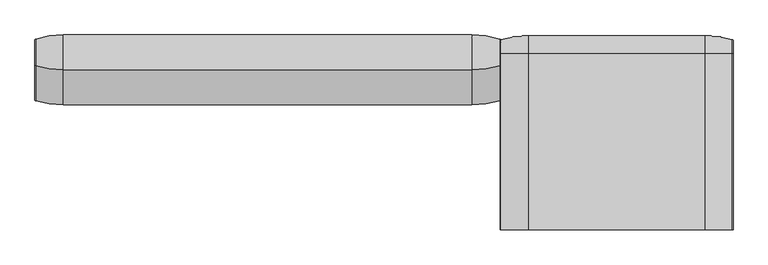
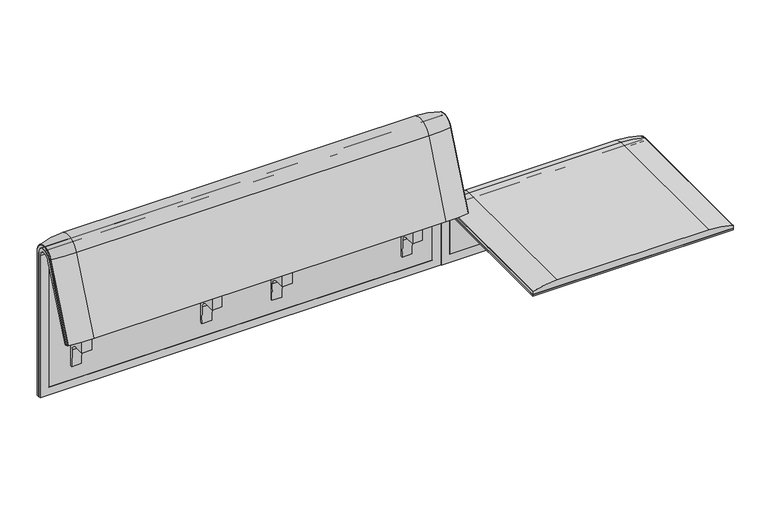
"""IFC4 building model written with IfcOpenShell, lengths in millimetres: furniture geometry."""

from ifc_helpers import new_model, si_unit, point, frame, frame_2d, origin, place, context, project, spatial, polyline, circle_curve, ellipse_curve, trimmed, segment, composite_curve, outline, extrude, source, transform, mapped, element, save
from ifc_brep_helpers import plane_surface, cylinder_surface, revolved_surface, advanced_brep


def furniture_4961bf5a(model_context):
    return source(origin(), model_context, "Body", "SolidModel", [
        extrude(outline(composite_curve([segment(trimmed(circle_curve(frame_2d((305.0000061, 379.9223263)), 30.0), [point((305.0000061, 349.9223263))], [point((335.0000061, 379.9223263))], True, "CARTESIAN"), True, "CONTINUOUS"), segment(polyline([(335.0000061, 379.9223263), (335.0000061, 515.0657595)]), True, "CONTINUOUS"), segment(trimmed(circle_curve(frame_2d((305.0000061, 515.0657595)), 30.0), [point((335.0000061, 515.0657595))], [point((316.7219399, 542.6809051))], True, "CARTESIAN"), True, "CONTINUOUS"), segment(polyline([(316.7219399, 542.6809051), (257.4911714, 567.8228747)]), True, "CONTINUOUS"), segment(trimmed(circle_curve(frame_2d((251.6302045, 554.0153019)), 15.0), [point((257.4911714, 567.8228747))], [point((238.0355877, 560.3545758))], True, "CARTESIAN"), True, "CONTINUOUS"), segment(polyline([(238.0355877, 560.3545758), (222.2725218, 526.5505721), (213.7507451, 529.5682915), (296.3054528, 724.0549949)]), True, "CONTINUOUS"), segment(trimmed(circle_curve(frame_2d((322.520748, 712.9272623)), 28.479258), [point((296.3054528, 724.0549949))], [point((351.0000061, 712.9272623))], False, "CARTESIAN"), True, "CONTINUOUS"), segment(polyline([(351.0000061, 712.9272623), (351.0000061, 197.0551771), (343.3075759, 197.0551771), (339.4064861, 271.492405)]), True, "CONTINUOUS"), segment(trimmed(circle_curve(frame_2d((309.4476, 269.9223263)), 30.0), [point((339.4064861, 271.492405))], [point((309.4476, 299.9223263))], True, "CARTESIAN"), True, "CONTINUOUS"), segment(polyline([(309.4476, 299.9223263), (270.0000061, 299.9223263), (270.0000061, 359.9223263), (275.0000061, 359.9223263)]), True, "CONTINUOUS"), segment(trimmed(circle_curve(frame_2d((285.0000061, 359.9223263)), 10.0), [point((275.0000061, 359.9223263))], [point((285.0000061, 349.9223263))], True, "CARTESIAN"), True, "CONTINUOUS"), segment(polyline([(285.0000061, 349.9223263), (305.0000061, 349.9223263)]), True, "CONTINUOUS")], self_intersect=False), holes=[composite_curve([segment(polyline([(337.5000061, 576.3274105), (337.5000061, 716.7072663)]), True, "CONTINUOUS"), segment(trimmed(circle_curve(frame_2d((322.5000061, 716.7072663)), 15.0), [point((337.5000061, 716.7072663))], [point((308.9053893, 723.0465402))], True, "CARTESIAN"), True, "CONTINUOUS"), segment(polyline([(308.9053893, 723.0465402), (253.6256191, 604.4986904)]), True, "CONTINUOUS"), segment(trimmed(circle_curve(frame_2d((271.7517748, 596.0463251)), 20.0), [point((253.6256191, 604.4986904))], [point((265.0756376, 577.1934953))], True, "CARTESIAN"), True, "CONTINUOUS"), segment(polyline([(265.0756376, 577.1934953), (314.1406626, 559.8186587)]), True, "CONTINUOUS"), segment(trimmed(circle_curve(frame_2d((319.9867182, 576.3274105)), 17.5132879), [point((314.1406626, 559.8186587))], [point((337.5000061, 576.3274105))], True, "CARTESIAN"), True, "CONTINUOUS")], self_intersect=False)]), frame((-284.9782527, 0.0, 0.0), z_axis=(1.0, 0.0, 0.0), x_axis=(0.0, 1.0, 0.0)), (0.0, 0.0, 1.0), 40.0),
        extrude(outline(composite_curve([segment(trimmed(circle_curve(frame_2d((305.0000061, 379.9223263)), 30.0), [point((305.0000061, 349.9223263))], [point((335.0000061, 379.9223263))], True, "CARTESIAN"), True, "CONTINUOUS"), segment(polyline([(335.0000061, 379.9223263), (335.0000061, 515.0657595)]), True, "CONTINUOUS"), segment(trimmed(circle_curve(frame_2d((305.0000061, 515.0657595)), 30.0), [point((335.0000061, 515.0657595))], [point((316.7219399, 542.6809051))], True, "CARTESIAN"), True, "CONTINUOUS"), segment(polyline([(316.7219399, 542.6809051), (257.4911714, 567.8228747)]), True, "CONTINUOUS"), segment(trimmed(circle_curve(frame_2d((251.6302045, 554.0153019)), 15.0), [point((257.4911714, 567.8228747))], [point((238.0355877, 560.3545758))], True, "CARTESIAN"), True, "CONTINUOUS"), segment(polyline([(238.0355877, 560.3545758), (222.2725218, 526.5505721), (213.7507451, 529.5682915), (296.3054528, 724.0549949)]), True, "CONTINUOUS"), segment(trimmed(circle_curve(frame_2d((322.520748, 712.9272623)), 28.479258), [point((296.3054528, 724.0549949))], [point((351.0000061, 712.9272623))], False, "CARTESIAN"), True, "CONTINUOUS"), segment(polyline([(351.0000061, 712.9272623), (351.0000061, 197.0551771), (343.3075759, 197.0551771), (339.4064861, 271.492405)]), True, "CONTINUOUS"), segment(trimmed(circle_curve(frame_2d((309.4476, 269.9223263)), 30.0), [point((339.4064861, 271.492405))], [point((309.4476, 299.9223263))], True, "CARTESIAN"), True, "CONTINUOUS"), segment(polyline([(309.4476, 299.9223263), (270.0000061, 299.9223263), (270.0000061, 359.9223263), (275.0000061, 359.9223263)]), True, "CONTINUOUS"), segment(trimmed(circle_curve(frame_2d((285.0000061, 359.9223263)), 10.0), [point((275.0000061, 359.9223263))], [point((285.0000061, 349.9223263))], True, "CARTESIAN"), True, "CONTINUOUS"), segment(polyline([(285.0000061, 349.9223263), (305.0000061, 349.9223263)]), True, "CONTINUOUS")], self_intersect=False), holes=[composite_curve([segment(polyline([(337.5000061, 576.3274105), (337.5000061, 716.7072663)]), True, "CONTINUOUS"), segment(trimmed(circle_curve(frame_2d((322.5000061, 716.7072663)), 15.0), [point((337.5000061, 716.7072663))], [point((308.9053893, 723.0465402))], True, "CARTESIAN"), True, "CONTINUOUS"), segment(polyline([(308.9053893, 723.0465402), (253.6256191, 604.4986904)]), True, "CONTINUOUS"), segment(trimmed(circle_curve(frame_2d((271.7517748, 596.0463251)), 20.0), [point((253.6256191, 604.4986904))], [point((265.0756376, 577.1934953))], True, "CARTESIAN"), True, "CONTINUOUS"), segment(polyline([(265.0756376, 577.1934953), (314.1406626, 559.8186587)]), True, "CONTINUOUS"), segment(trimmed(circle_curve(frame_2d((319.9867182, 576.3274105)), 17.5132879), [point((314.1406626, 559.8186587))], [point((337.5000061, 576.3274105))], True, "CARTESIAN"), True, "CONTINUOUS")], self_intersect=False)]), frame((245.0113409, 0.0, 0.0), z_axis=(1.0, 0.0, 0.0), x_axis=(0.0, 1.0, 0.0)), (0.0, 0.0, 1.0), 40.0),
        advanced_brep(
        [(408.0237127, 351.0000061, 101.8476716), (408.0237127, 359.7858817, 101.8476716), (408.0237127, 359.7858817, 720.3417731), (408.0237127, 292.4403877, 733.7122262), (408.0237127, 170.1966807, 437.98305), (408.0237127, 175.0204081, 435.9866665), (408.0237127, 296.2458652, 723.9869215), (408.0237127, 351.0000061, 712.9272623), (-1223.9718733, 351.0000061, 101.8476716), (-1223.9718733, 351.0000061, 712.9272623), (-1223.9718733, 296.2720241, 723.9759107), (-1223.9718733, 175.0204081, 435.9866665), (-1223.9718733, 170.1966807, 437.98305), (-1223.9718733, 292.4403877, 733.7122262), (-1223.9718733, 359.7858817, 720.3417731), (-1223.9718733, 359.7858817, 101.8476716), (373.1071685, 292.4403877, 733.7122262), (373.1071685, 176.0980387, 452.25948), (-1189.0884174, 176.0980387, 452.25948), (-1189.0884174, 292.4403877, 733.7122262), (-1189.0884174, 296.2458652, 723.9869215), (-1189.0884174, 181.0136548, 450.2250668), (373.1071685, 181.0136548, 450.2250668), (373.1071685, 296.2458652, 723.9869215), (373.1071685, 351.0000061, 712.9272623), (373.1071685, 351.0000061, 135.3766997), (-1189.0884174, 351.0000061, 135.3766997), (-1189.0884174, 351.0000061, 712.9272623), (-1189.0884174, 359.7858817, 720.3417731), (-1189.0884174, 359.7858817, 135.3766997), (373.1071685, 359.7858817, 135.3766997), (373.1071685, 359.7858817, 720.3417731)],
        [
            (0, 1),
            (1, 2),
            (2, 3, circle_curve(frame((408.0237127, 324.7858817, 720.3417731), z_axis=(1.0, 0.0, 0.0), x_axis=(0.0, -1.0, 0.0)), 35.0)),
            (3, 4),
            (4, 5),
            (5, 6),
            (6, 7, circle_curve(frame((408.0237127, 322.520748, 712.9272623), z_axis=(-1.0, 0.0, 0.0), x_axis=(0.0, -1.0, 0.0)), 28.479258)),
            (7, 0),
            (8, 9),
            (9, 10, circle_curve(frame((-1223.9718733, 322.520748, 712.9272623), z_axis=(1.0, 0.0, 0.0), x_axis=(0.0, -1.0, 0.0)), 28.479258)),
            (10, 11),
            (11, 12),
            (12, 13),
            (13, 14, circle_curve(frame((-1223.9718733, 324.7858817, 720.3417731), z_axis=(-1.0, 0.0, 0.0), x_axis=(0.0, -1.0, 0.0)), 35.0)),
            (14, 15),
            (15, 8),
            (3, 16),
            (16, 17),
            (17, 18),
            (18, 19),
            (19, 13),
            (12, 4),
            (11, 5),
            (10, 20),
            (20, 21),
            (21, 22),
            (22, 23),
            (23, 6),
            (7, 24),
            (24, 25),
            (25, 26),
            (26, 27),
            (27, 9),
            (8, 0),
            (15, 1),
            (14, 28),
            (28, 29),
            (29, 30),
            (30, 31),
            (31, 2),
            (31, 16, circle_curve(frame((373.1071685, 324.7858817, 720.3417731), z_axis=(1.0, 0.0, 0.0), x_axis=(0.0, -1.0, 0.0)), 35.0)),
            (19, 28, circle_curve(frame((-1189.0884174, 324.7858817, 720.3417731), z_axis=(-1.0, 0.0, 0.0), x_axis=(0.0, -1.0, 0.0)), 35.0)),
            (23, 24, circle_curve(frame((373.1071685, 322.520748, 712.9272623), z_axis=(-1.0, 0.0, 0.0), x_axis=(0.0, -1.0, 0.0)), 28.479258)),
            (27, 20, circle_curve(frame((-1189.0884174, 322.520748, 712.9272623), z_axis=(1.0, 0.0, 0.0), x_axis=(0.0, -1.0, 0.0)), 28.479258)),
            (22, 17),
            (30, 25),
            (26, 29),
            (18, 21),
        ],
        [
            plane_surface(frame((408.0237127, 359.7858817, 101.8476716), z_axis=(1.0, 0.0, 0.0), x_axis=(0.0, 1.0, 0.0))),
            plane_surface(frame((-1223.9718733, 359.7858817, 101.8476716), z_axis=(-1.0, 0.0, 0.0), x_axis=(0.0, -1.0, 0.0))),
            plane_surface(frame((408.0237127, 292.4403877, 733.7122262), z_axis=(0.0, -0.9241569717933176, 0.3820129467515535), x_axis=(-1.0, 0.0, 0.0))),
            plane_surface(frame((408.0237127, 170.1966807, 437.98305), z_axis=(0.0, -0.3824103944198279, -0.9239925812687414), x_axis=(-1.0, 0.0, 0.0))),
            plane_surface(frame((408.0237127, 175.0204081, 435.9866665), z_axis=(0.0, 0.921678643444566, -0.3879542218073993), x_axis=(-1.0, 0.0, 0.0))),
            plane_surface(frame((408.0237127, 351.0000061, 712.9272623), z_axis=(0.0, -1.0, 0.0), x_axis=(-1.0, 0.0, 0.0))),
            plane_surface(frame((408.0237127, 351.0000061, 101.8476716), z_axis=(0.0, 0.0, -1.0), x_axis=(-1.0, 0.0, 0.0))),
            plane_surface(frame((408.0237127, 359.7858817, 101.8476716), z_axis=(0.0, 1.0, 0.0), x_axis=(-1.0, 0.0, 0.0))),
            cylinder_surface(frame((-1223.9718733, 324.7858817, 720.3417731), z_axis=(1.0, 0.0, 0.0), x_axis=(0.0, -1.0, 0.0)), 35.0),
            revolved_surface(polyline([(373.10716849999994, 294.04149, 712.9272623), (408.02371270000003, 294.04149, 712.9272623)]), (-1223.9718733, 322.520748, 712.9272623), (-1.0, 0.0, 0.0)),
            revolved_surface(polyline([(-1223.9718733, 294.04149, 712.9272623), (-1189.0884174, 294.04149, 712.9272623)]), (-1223.9718733, 322.520748, 712.9272623), (-1.0, 0.0, 0.0)),
            plane_surface(frame((373.1071685, 359.7858817, 135.3766997), z_axis=(-1.0, 0.0, 0.0), x_axis=(0.0, 1.0, 0.0))),
            plane_surface(frame((-1189.0884174, 359.7858817, 135.3766997), z_axis=(1.0, 0.0, 0.0), x_axis=(0.0, -1.0, 0.0))),
            plane_surface(frame((373.1071685, 166.9120641, 456.0612553), z_axis=(0.0, 0.38241039441982605, 0.9239925812687422), x_axis=(-1.0, 0.0, 0.0))),
            plane_surface(frame((373.1071685, 344.7858817, 135.3766997), z_axis=(0.0, 0.0, 1.0), x_axis=(-1.0, 0.0, 0.0))),
        ],
        [
            (0, [[1, 2, 3, 4, 5, 6, 7, 8]]),
            (1, [[9, 10, 11, 12, 13, 14, 15, 16]]),
            (2, [[-4, 17, 18, 19, 20, 21, -13, 22]]),
            (3, [[-5, -22, -12, 23]]),
            (4, [[-6, -23, -11, 24, 25, 26, 27, 28]]),
            (5, [[-8, 29, 30, 31, 32, 33, -9, 34]]),
            (6, [[-1, -34, -16, 35]]),
            (7, [[-2, -35, -15, 36, 37, 38, 39, 40]]),
            (8, [[-3, -40, 41, -17]]),
            (8, [[-14, -21, 42, -36]]),
            (9, [[-7, -28, 43, -29]]),
            (10, [[-10, -33, 44, -24]]),
            (11, [[45, -18, -41, -39, 46, -30, -43, -27]]),
            (12, [[47, -37, -42, -20, 48, -25, -44, -32]]),
            (13, [[-45, -26, -48, -19]]),
            (14, [[-46, -38, -47, -31]]),
        ],
    ),
        advanced_brep(
        [(373.1071685, 351.0000061, 135.3766997), (373.1071685, 359.7858817, 135.3766997), (373.1071685, 359.7858817, 720.3417731), (373.1071685, 292.4403877, 733.7122262), (373.1071685, 176.0980387, 452.25948), (373.1071685, 181.0136548, 450.2250668), (373.1071685, 296.2458652, 723.9869215), (373.1071685, 351.0000061, 712.9272623), (-1189.0884174, 351.0000061, 135.3766997), (-1189.0884174, 351.0000061, 712.9272623), (-1189.0884174, 296.2720241, 723.9759107), (-1189.0884174, 181.0136548, 450.2250668), (-1189.0884174, 176.0980387, 452.25948), (-1189.0884174, 292.4403877, 733.7122262), (-1189.0884174, 359.7858817, 720.3417731), (-1189.0884174, 359.7858817, 135.3766997)],
        [
            (0, 1),
            (1, 2),
            (2, 3, circle_curve(frame((373.1071685, 324.7858817, 720.3417731), z_axis=(1.0, 0.0, 0.0), x_axis=(0.0, -1.0, 0.0)), 35.0)),
            (3, 4),
            (4, 5),
            (5, 6),
            (6, 7, circle_curve(frame((373.1071685, 322.520748, 712.9272623), z_axis=(-1.0, 0.0, 0.0), x_axis=(0.0, -1.0, 0.0)), 28.479258)),
            (7, 0),
            (8, 9),
            (9, 10, circle_curve(frame((-1189.0884174, 322.520748, 712.9272623), z_axis=(1.0, 0.0, 0.0), x_axis=(0.0, -1.0, 0.0)), 28.479258)),
            (10, 11),
            (11, 12),
            (12, 13),
            (13, 14, circle_curve(frame((-1189.0884174, 324.7858817, 720.3417731), z_axis=(-1.0, 0.0, 0.0), x_axis=(0.0, -1.0, 0.0)), 35.0)),
            (14, 15),
            (15, 8),
            (3, 13),
            (12, 4),
            (11, 5),
            (10, 6),
            (7, 9),
            (8, 0),
            (15, 1),
            (14, 2),
        ],
        [
            plane_surface(frame((373.1071685, 359.7858817, 135.3766997), z_axis=(1.0, 0.0, 0.0), x_axis=(0.0, 1.0, 0.0))),
            plane_surface(frame((-1189.0884174, 359.7858817, 135.3766997), z_axis=(-1.0, 0.0, 0.0), x_axis=(0.0, -1.0, 0.0))),
            plane_surface(frame((373.1071685, 292.4403877, 733.7122262), z_axis=(0.0, -0.9241569717933176, 0.3820129467515535), x_axis=(-1.0, 0.0, 0.0))),
            plane_surface(frame((373.1071685, 176.0980387, 452.25948), z_axis=(0.0, -0.38241039441982716, -0.9239925812687417), x_axis=(-1.0, 0.0, 0.0))),
            plane_surface(frame((373.1071685, 181.0136548, 450.2250668), z_axis=(0.0, 0.921678643444566, -0.3879542218073993), x_axis=(-1.0, 0.0, 0.0))),
            plane_surface(frame((373.1071685, 351.0000061, 712.9272623), z_axis=(0.0, -1.0, 0.0), x_axis=(-1.0, 0.0, 0.0))),
            plane_surface(frame((373.1071685, 351.0000061, 135.3766997), z_axis=(0.0, 0.0, -1.0), x_axis=(-1.0, 0.0, 0.0))),
            plane_surface(frame((373.1071685, 359.7858817, 135.3766997), z_axis=(0.0, 1.0, 0.0), x_axis=(-1.0, 0.0, 0.0))),
            cylinder_surface(frame((-1189.0884174, 324.7858817, 720.3417731), z_axis=(1.0, 0.0, 0.0), x_axis=(0.0, -1.0, 0.0)), 35.0),
            revolved_surface(polyline([(-1189.0884174, 294.04149, 712.9272623), (373.10716849999994, 294.04149, 712.9272623)]), (-1189.0884174, 322.520748, 712.9272623), (-1.0, 0.0, 0.0)),
        ],
        [
            (0, [[1, 2, 3, 4, 5, 6, 7, 8]]),
            (1, [[9, 10, 11, 12, 13, 14, 15, 16]]),
            (2, [[-4, 17, -13, 18]]),
            (3, [[-5, -18, -12, 19]]),
            (4, [[-6, -19, -11, 20]]),
            (5, [[-8, 21, -9, 22]]),
            (6, [[-1, -22, -16, 23]]),
            (7, [[-2, -23, -15, 24]]),
            (8, [[-3, -24, -14, -17]]),
            (9, [[-7, -20, -10, -21]]),
        ],
    ),
        extrude(outline(composite_curve([segment(trimmed(circle_curve(frame_2d((305.0000061, 379.9223263)), 30.0), [point((305.0000061, 349.9223263))], [point((335.0000061, 379.9223263))], True, "CARTESIAN"), True, "CONTINUOUS"), segment(polyline([(335.0000061, 379.9223263), (335.0000061, 515.0657595)]), True, "CONTINUOUS"), segment(trimmed(circle_curve(frame_2d((305.0000061, 515.0657595)), 30.0), [point((335.0000061, 515.0657595))], [point((316.7219399, 542.6809051))], True, "CARTESIAN"), True, "CONTINUOUS"), segment(polyline([(316.7219399, 542.6809051), (257.4911714, 567.8228747)]), True, "CONTINUOUS"), segment(trimmed(circle_curve(frame_2d((251.6302045, 554.0153019)), 15.0), [point((257.4911714, 567.8228747))], [point((238.0355877, 560.3545758))], True, "CARTESIAN"), True, "CONTINUOUS"), segment(polyline([(238.0355877, 560.3545758), (222.2725218, 526.5505721), (213.7507451, 529.5682915), (296.3054528, 724.0549949)]), True, "CONTINUOUS"), segment(trimmed(circle_curve(frame_2d((322.520748, 712.9272623)), 28.479258), [point((296.3054528, 724.0549949))], [point((351.0000061, 712.9272623))], False, "CARTESIAN"), True, "CONTINUOUS"), segment(polyline([(351.0000061, 712.9272623), (351.0000061, 197.0551771), (343.3075759, 197.0551771), (339.4064861, 271.492405)]), True, "CONTINUOUS"), segment(trimmed(circle_curve(frame_2d((309.4476, 269.9223263)), 30.0), [point((339.4064861, 271.492405))], [point((309.4476, 299.9223263))], True, "CARTESIAN"), True, "CONTINUOUS"), segment(polyline([(309.4476, 299.9223263), (270.0000061, 299.9223263), (270.0000061, 359.9223263), (275.0000061, 359.9223263)]), True, "CONTINUOUS"), segment(trimmed(circle_curve(frame_2d((285.0000061, 359.9223263)), 10.0), [point((275.0000061, 359.9223263))], [point((285.0000061, 349.9223263))], True, "CARTESIAN"), True, "CONTINUOUS"), segment(polyline([(285.0000061, 349.9223263), (305.0000061, 349.9223263)]), True, "CONTINUOUS")], self_intersect=False), holes=[composite_curve([segment(polyline([(337.5000061, 576.3274105), (337.5000061, 716.7072663)]), True, "CONTINUOUS"), segment(trimmed(circle_curve(frame_2d((322.5000061, 716.7072663)), 15.0), [point((337.5000061, 716.7072663))], [point((308.9053893, 723.0465402))], True, "CARTESIAN"), True, "CONTINUOUS"), segment(polyline([(308.9053893, 723.0465402), (253.6256191, 604.4986904)]), True, "CONTINUOUS"), segment(trimmed(circle_curve(frame_2d((271.7517748, 596.0463251)), 20.0), [point((253.6256191, 604.4986904))], [point((265.0756376, 577.1934953))], True, "CARTESIAN"), True, "CONTINUOUS"), segment(polyline([(265.0756376, 577.1934953), (314.1406626, 559.8186587)]), True, "CONTINUOUS"), segment(trimmed(circle_curve(frame_2d((319.9867182, 576.3274105)), 17.5132879), [point((314.1406626, 559.8186587))], [point((337.5000061, 576.3274105))], True, "CARTESIAN"), True, "CONTINUOUS")], self_intersect=False)]), frame((-571.0029962, 0.0, 0.0), z_axis=(1.0, 0.0, 0.0), x_axis=(0.0, 1.0, 0.0)), (0.0, 0.0, 1.0), 40.0),
        advanced_brep(
        [(308.0237127, 388.2902376, 100.5089435), (405.8850842, 373.93893, 100.5089435), (408.0237127, 371.0652495, 100.5089435), (408.0237127, 359.7858817, 100.5089435), (-1224.0049615, 359.7858817, 100.5089435), (-1224.0049615, 371.0652495, 100.5089435), (-1221.866333, 373.93893, 100.5089435), (-1124.0049615, 388.2902376, 100.5089435), (-1124.0049615, 388.2902376, 720.3417731), (308.0237127, 388.2902376, 720.3417731), (405.8850842, 373.93893, 720.3417731), (408.0237127, 371.0652495, 720.3417731), (408.0237127, 282.0164812, 738.0210907), (408.0237127, 159.7723383, 442.2908598), (408.0237127, 170.1962447, 437.9819952), (408.0237127, 292.4403877, 733.7122262), (408.0237127, 359.7858817, 720.3417731), (-1224.0049615, 359.7858817, 720.3417731), (308.0237127, 143.8537454, 448.8710282), (-1124.0049615, 143.8537454, 448.8710282), (-1221.866333, 157.1166065, 443.3886429), (-1224.0049615, 159.7723383, 442.2908598), (-1224.0049615, 170.1962447, 437.9819952), (405.8850842, 157.1166065, 443.3886429), (308.0237127, 266.0978884, 744.6012592), (-1124.0049615, 266.0978884, 744.6012592), (405.8850842, 279.3607494, 739.1188739), (-1224.0049615, 292.4403877, 733.7122262), (-1224.0049615, 282.0164812, 738.0210907), (-1224.0049615, 371.0652495, 720.3417731), (-1221.866333, 373.93893, 720.3417731), (-1221.866333, 279.3607494, 739.1188739)],
        [
            (0, 1, circle_curve(frame((308.0237127, 47.4569043, 100.5089435), z_axis=(0.0, 0.0, -1.0), x_axis=(0.0, -1.0, 0.0)), 340.8333333)),
            (1, 2, circle_curve(frame((405.0237127, 371.0652495, 100.5089435), z_axis=(0.0, 0.0, -1.0), x_axis=(1.0, 0.0, 0.0)), 3.0)),
            (2, 3),
            (3, 4),
            (4, 5),
            (5, 6, circle_curve(frame((-1221.0049615, 371.0652495, 100.5089435), z_axis=(0.0, 0.0, -1.0), x_axis=(-1.0, 0.0, 0.0)), 3.0)),
            (6, 7, circle_curve(frame((-1124.0049615, 47.4569043, 100.5089435), z_axis=(0.0, 0.0, -1.0), x_axis=(0.0, -1.0, 0.0)), 340.8333333)),
            (7, 0),
            (7, 8),
            (8, 9),
            (9, 0),
            (9, 10, circle_curve(frame((308.0237127, 47.4569043, 720.3417731), z_axis=(0.0, 0.0, -1.0), x_axis=(0.0, -1.0, 0.0)), 340.8333333)),
            (10, 1),
            (10, 11, circle_curve(frame((405.0237127, 371.0652495, 720.3417731), z_axis=(0.0, 0.0, -1.0), x_axis=(1.0, 0.0, 0.0)), 3.0)),
            (11, 2),
            (11, 12, circle_curve(frame((408.0237127, 324.7858817, 720.3417731), z_axis=(1.0, 0.0, 0.0), x_axis=(0.0, 1.0, 0.0)), 46.2793679)),
            (12, 13),
            (13, 14),
            (14, 15),
            (15, 16, circle_curve(frame((408.0237127, 324.7858817, 720.3417731), z_axis=(-1.0, 0.0, 0.0), x_axis=(0.0, 1.0, 0.0)), 35.0)),
            (16, 3),
            (16, 17),
            (17, 4),
            (18, 19),
            (19, 20, circle_curve(frame((-1124.0049615, 458.8372467, 318.6682822), z_axis=(0.0, -0.38201294675155345, -0.9241569717933176), x_axis=(0.0, 0.9241569717933176, -0.38201294675155345)), 340.8333333)),
            (20, 21, circle_curve(frame((-1221.0049615, 159.7723383, 442.2908598), z_axis=(0.0, -0.38201294675155345, -0.9241569717933176), x_axis=(-1.0, 0.0, 0.0)), 3.0)),
            (21, 22),
            (22, 14),
            (13, 23, circle_curve(frame((405.0237127, 159.7723383, 442.2908598), z_axis=(0.0, -0.38201294675155345, -0.9241569717933176), x_axis=(1.0, 0.0, 0.0)), 3.0)),
            (23, 18, circle_curve(frame((308.0237127, 458.8372467, 318.6682822), z_axis=(0.0, -0.38201294675155345, -0.9241569717933176), x_axis=(0.0, 0.9241569717933176, -0.38201294675155345)), 340.8333333)),
            (24, 9, circle_curve(frame((308.0237127, 324.7858817, 720.3417731), z_axis=(-1.0, 0.0, 0.0), x_axis=(0.0, 1.0, 0.0)), 63.5043559)),
            (8, 25, circle_curve(frame((-1124.0049615, 324.7858817, 720.3417731), z_axis=(1.0, 0.0, 0.0), x_axis=(0.0, 1.0, 0.0)), 63.5043559)),
            (25, 24),
            (26, 10, circle_curve(frame((405.8850842, 324.7858817, 720.3417731), z_axis=(-1.0, 0.0, 0.0), x_axis=(0.0, 1.0, 0.0)), 49.1530483)),
            (24, 26, circle_curve(frame((308.0237127, 581.0813896, 614.3985132), z_axis=(0.0, 0.3820129467515556, 0.9241569717933167), x_axis=(0.0, 0.9241569717933167, -0.3820129467515556)), 340.8333333)),
            (26, 12, circle_curve(frame((405.0237127, 282.0164812, 738.0210907), z_axis=(0.0, 0.3820129467515548, 0.924156971793317), x_axis=(1.0, 0.0, 0.0)), 3.0)),
            (27, 17, circle_curve(frame((-1224.0049615, 324.7858817, 720.3417731), z_axis=(-1.0, 0.0, 0.0), x_axis=(0.0, 1.0, 0.0)), 35.0)),
            (15, 27),
            (25, 19),
            (18, 24),
            (23, 26),
            (22, 27),
            (21, 28),
            (28, 29, circle_curve(frame((-1224.0049615, 324.7858817, 720.3417731), z_axis=(-1.0, 0.0, 0.0), x_axis=(0.0, 1.0, 0.0)), 46.2793679)),
            (29, 5),
            (29, 30, circle_curve(frame((-1221.0049615, 371.0652495, 720.3417731), z_axis=(0.0, 0.0, -1.0), x_axis=(-1.0, 0.0, 0.0)), 3.0)),
            (30, 6),
            (30, 8, circle_curve(frame((-1124.0049615, 47.4569043, 720.3417731), z_axis=(0.0, 0.0, -1.0), x_axis=(0.0, -1.0, 0.0)), 340.8333333)),
            (31, 30, circle_curve(frame((-1221.866333, 324.7858817, 720.3417731), z_axis=(-1.0, 0.0, 0.0), x_axis=(0.0, 1.0, 0.0)), 49.1530483)),
            (28, 31, circle_curve(frame((-1221.0049615, 282.0164812, 738.0210907), z_axis=(0.0, 0.382012946751554, 0.9241569717933174), x_axis=(-1.0, 0.0, 0.0)), 3.0)),
            (31, 25, circle_curve(frame((-1124.0049615, 581.0813896, 614.3985132), z_axis=(0.0, 0.382012946751554, 0.9241569717933174), x_axis=(0.0, 0.9241569717933174, -0.382012946751554)), 340.8333333)),
            (20, 31),
        ],
        [
            plane_surface(frame((-811.2327697, 359.7858817, 100.5089435), z_axis=(0.0, 0.0, -1.0), x_axis=(1.0, 0.0, 0.0))),
            plane_surface(frame((-1124.0049615, 388.2902376, 100.5089435), z_axis=(0.0, 1.0, 0.0), x_axis=(0.0, 0.0, 1.0))),
            cylinder_surface(frame((308.0237127, 47.4569043, 100.5089435), z_axis=(0.0, 0.0, -1.0), x_axis=(0.0, -1.0, 0.0)), 340.8333333),
            cylinder_surface(frame((405.0237127, 371.0652495, 100.5089435), z_axis=(0.0, 0.0, -1.0), x_axis=(1.0, 0.0, 0.0)), 3.0),
            plane_surface(frame((408.0237127, 371.0652495, 100.5089435), z_axis=(1.0, 0.0, 0.0), x_axis=(0.0, 0.0, 1.0))),
            plane_surface(frame((408.0237127, 359.7858817, 100.5089435), z_axis=(0.0, -1.0, 0.0), x_axis=(0.0, 0.0, 1.0))),
            plane_surface(frame((-811.2327697, 170.1962447, 437.9819952), z_axis=(0.0, -0.38201294675155345, -0.9241569717933176), x_axis=(1.0, 0.0, 0.0))),
            cylinder_surface(frame((-811.2327697, 324.7858817, 720.3417731), z_axis=(1.0, 0.0, 0.0), x_axis=(0.0, 1.0, 0.0)), 63.5043559),
            revolved_surface(trimmed(ellipse_curve(frame((308.0237127, 47.4569043, 720.3417731), z_axis=(0.0, 0.0, -1.0), x_axis=(0.0, -1.0, 0.0)), 340.8333333, 340.8333333), [point((308.0237127, 388.2902376, 720.3417731))], [point((405.8850842, 373.93893, 720.3417731))], True, "CARTESIAN"), (-811.2327697, 324.7858817, 720.3417731), (1.0, 0.0, 0.0)),
            revolved_surface(trimmed(ellipse_curve(frame((405.0237127, 371.0652495, 720.3417731), z_axis=(0.0, 0.0, -1.0), x_axis=(1.0, 0.0, 0.0)), 3.0, 3.0), [point((405.8850842, 373.93893, 720.3417731))], [point((408.0237127, 371.0652495, 720.3417731))], True, "CARTESIAN"), (-811.2327697, 324.7858817, 720.3417731), (1.0, 0.0, 0.0)),
            revolved_surface(polyline([(408.0237126999999, 359.7858817, 720.3417731), (-1224.0049615, 359.7858817, 720.3417731)]), (-811.2327697, 324.7858817, 720.3417731), (1.0, 0.0, 0.0)),
            plane_surface(frame((-1124.0049615, 266.0978884, 744.6012592), z_axis=(0.0, -0.9241569717933174, 0.38201294675155406), x_axis=(0.0, -0.38201294675155406, -0.9241569717933174))),
            cylinder_surface(frame((308.0237127, 581.0813896, 614.3985132), z_axis=(0.0, 0.38201294675155345, 0.9241569717933176), x_axis=(0.0, 0.9241569717933176, -0.38201294675155345)), 340.8333333),
            cylinder_surface(frame((405.0237127, 282.0164812, 738.0210907), z_axis=(0.0, 0.38201294675155345, 0.9241569717933176), x_axis=(1.0, 0.0, 0.0)), 3.0),
            plane_surface(frame((408.0237127, 292.4403877, 733.7122262), z_axis=(0.0, 0.9241569717933175, -0.3820129467515539), x_axis=(0.0, -0.3820129467515539, -0.9241569717933175))),
            plane_surface(frame((-1224.0049615, 359.7858817, 100.5089435), z_axis=(-1.0, 0.0, 0.0), x_axis=(0.0, 0.0, 1.0))),
            cylinder_surface(frame((-1221.0049615, 371.0652495, 100.5089435), z_axis=(0.0, 0.0, -1.0), x_axis=(-1.0, 0.0, 0.0)), 3.0),
            cylinder_surface(frame((-1124.0049615, 47.4569043, 100.5089435), z_axis=(0.0, 0.0, -1.0), x_axis=(0.0, -1.0, 0.0)), 340.8333333),
            revolved_surface(trimmed(ellipse_curve(frame((-1221.0049615, 371.0652495, 720.3417731), z_axis=(0.0, 0.0, -1.0), x_axis=(-1.0, 0.0, 0.0)), 3.0, 3.0), [point((-1224.0049615, 371.0652495, 720.3417731))], [point((-1221.866333, 373.93893, 720.3417731))], True, "CARTESIAN"), (-811.2327697, 324.7858817, 720.3417731), (1.0, 0.0, 0.0)),
            revolved_surface(trimmed(ellipse_curve(frame((-1124.0049615, 47.4569043, 720.3417731), z_axis=(0.0, 0.0, -1.0), x_axis=(0.0, -1.0, 0.0)), 340.8333333, 340.8333333), [point((-1221.866333, 373.93893, 720.3417731))], [point((-1124.0049615, 388.2902376, 720.3417731))], True, "CARTESIAN"), (-811.2327697, 324.7858817, 720.3417731), (1.0, 0.0, 0.0)),
            cylinder_surface(frame((-1221.0049615, 282.0164812, 738.0210907), z_axis=(0.0, 0.38201294675155345, 0.9241569717933176), x_axis=(-1.0, 0.0, 0.0)), 3.0),
            cylinder_surface(frame((-1124.0049615, 581.0813896, 614.3985132), z_axis=(0.0, 0.38201294675155345, 0.9241569717933176), x_axis=(0.0, 0.9241569717933176, -0.38201294675155345)), 340.8333333),
        ],
        [
            (0, [[1, 2, 3, 4, 5, 6, 7, 8]]),
            (1, [[-8, 9, 10, 11]]),
            (2, [[-1, -11, 12, 13]]),
            (3, [[-2, -13, 14, 15]]),
            (4, [[-3, -15, 16, 17, 18, 19, 20, 21]]),
            (5, [[-4, -21, 22, 23]]),
            (6, [[24, 25, 26, 27, 28, -18, 29, 30]]),
            (7, [[31, -10, 32, 33]]),
            (8, [[34, -12, -31, 35]]),
            (9, [[-16, -14, -34, 36]]),
            (10, [[37, -22, -20, 38]]),
            (11, [[-33, 39, -24, 40]]),
            (12, [[-35, -40, -30, 41]]),
            (13, [[-36, -41, -29, -17]]),
            (14, [[-38, -19, -28, 42]]),
            (15, [[-5, -23, -37, -42, -27, 43, 44, 45]]),
            (16, [[-6, -45, 46, 47]]),
            (17, [[-7, -47, 48, -9]]),
            (18, [[49, -46, -44, 50]]),
            (19, [[-32, -48, -49, 51]]),
            (20, [[-50, -43, -26, 52]]),
            (21, [[-51, -52, -25, -39]]),
        ],
    ),
        extrude(outline(composite_curve([segment(trimmed(circle_curve(frame_2d((305.0000061, 379.9223263)), 30.0), [point((305.0000061, 349.9223263))], [point((335.0000061, 379.9223263))], True, "CARTESIAN"), True, "CONTINUOUS"), segment(polyline([(335.0000061, 379.9223263), (335.0000061, 515.0657595)]), True, "CONTINUOUS"), segment(trimmed(circle_curve(frame_2d((305.0000061, 515.0657595)), 30.0), [point((335.0000061, 515.0657595))], [point((316.7219399, 542.6809051))], True, "CARTESIAN"), True, "CONTINUOUS"), segment(polyline([(316.7219399, 542.6809051), (257.4911714, 567.8228747)]), True, "CONTINUOUS"), segment(trimmed(circle_curve(frame_2d((251.6302045, 554.0153019)), 15.0), [point((257.4911714, 567.8228747))], [point((238.0355877, 560.3545758))], True, "CARTESIAN"), True, "CONTINUOUS"), segment(polyline([(238.0355877, 560.3545758), (222.2725218, 526.5505721), (213.7507451, 529.5682915), (296.3054528, 724.0549949)]), True, "CONTINUOUS"), segment(trimmed(circle_curve(frame_2d((322.520748, 712.9272623)), 28.479258), [point((296.3054528, 724.0549949))], [point((351.0000061, 712.9272623))], False, "CARTESIAN"), True, "CONTINUOUS"), segment(polyline([(351.0000061, 712.9272623), (351.0000061, 197.0551771), (343.3075759, 197.0551771), (339.4064861, 271.492405)]), True, "CONTINUOUS"), segment(trimmed(circle_curve(frame_2d((309.4476, 269.9223263)), 30.0), [point((339.4064861, 271.492405))], [point((309.4476, 299.9223263))], True, "CARTESIAN"), True, "CONTINUOUS"), segment(polyline([(309.4476, 299.9223263), (270.0000061, 299.9223263), (270.0000061, 359.9223263), (275.0000061, 359.9223263)]), True, "CONTINUOUS"), segment(trimmed(circle_curve(frame_2d((285.0000061, 359.9223263)), 10.0), [point((275.0000061, 359.9223263))], [point((285.0000061, 349.9223263))], True, "CARTESIAN"), True, "CONTINUOUS"), segment(polyline([(285.0000061, 349.9223263), (305.0000061, 349.9223263)]), True, "CONTINUOUS")], self_intersect=False), holes=[composite_curve([segment(polyline([(337.5000061, 576.3274105), (337.5000061, 716.7072663)]), True, "CONTINUOUS"), segment(trimmed(circle_curve(frame_2d((322.5000061, 716.7072663)), 15.0), [point((337.5000061, 716.7072663))], [point((308.9053893, 723.0465402))], True, "CARTESIAN"), True, "CONTINUOUS"), segment(polyline([(308.9053893, 723.0465402), (253.6256191, 604.4986904)]), True, "CONTINUOUS"), segment(trimmed(circle_curve(frame_2d((271.7517748, 596.0463251)), 20.0), [point((253.6256191, 604.4986904))], [point((265.0756376, 577.1934953))], True, "CARTESIAN"), True, "CONTINUOUS"), segment(polyline([(265.0756376, 577.1934953), (314.1406626, 559.8186587)]), True, "CONTINUOUS"), segment(trimmed(circle_curve(frame_2d((319.9867182, 576.3274105)), 17.5132879), [point((314.1406626, 559.8186587))], [point((337.5000061, 576.3274105))], True, "CARTESIAN"), True, "CONTINUOUS")], self_intersect=False)]), frame((-1100.9925898, 0.0, 0.0), z_axis=(1.0, 0.0, 0.0), x_axis=(0.0, 1.0, 0.0)), (0.0, 0.0, 1.0), 40.0),
        advanced_brep(
        [(407.9906244, -295.0, 359.922434), (407.9906244, -295.0, 366.172434), (407.9906244, 324.3858663, 366.172434), (407.9906244, 357.5, 333.0583003), (407.9906244, 357.5, 100.5089435), (407.9906244, 351.0, 100.5089435), (407.9906244, 351.0, 332.6742277), (407.9906244, 323.7517936, 359.922434), (1223.9718733, -295.0, 359.922434), (1223.9718733, 323.7517936, 359.922434), (1223.9718733, 351.0, 332.6742277), (1223.9718733, 351.0, 100.5089435), (1223.9718733, 357.5, 100.5089435), (1223.9718733, 357.5, 333.0583003), (1223.9718733, 324.3858663, 366.172434), (1223.9718733, -295.0, 366.172434), (1189.0718733, 324.3858663, 366.172434), (1189.0718733, -260.0, 366.172434), (442.8906244, -260.0, 366.172434), (442.8906244, 324.3858663, 366.172434), (442.8906244, 357.5, 333.0583003), (1189.0718733, 357.5, 333.0583003), (442.8906244, 357.5, 135.3766997), (1189.0718733, 357.5, 135.3766997), (1189.0718733, 351.0, 332.6742277), (1189.0718733, 351.0, 135.3766997), (442.8906244, 351.0, 135.3766997), (442.8906244, 351.0, 332.6742277), (442.8906244, 323.7517936, 359.922434), (1189.0718733, 323.7517936, 359.922434), (442.8906244, -260.0, 359.922434), (1189.0718733, -260.0, 359.922434)],
        [
            (0, 1),
            (1, 2),
            (2, 3, circle_curve(frame((407.9906244, 324.3858663, 333.0583003), z_axis=(-1.0, 0.0, 0.0), x_axis=(0.0, 1.0, 0.0)), 33.1141337)),
            (3, 4),
            (4, 5),
            (5, 6),
            (6, 7, circle_curve(frame((407.9906244, 323.7517936, 332.6742277), z_axis=(1.0, 0.0, 0.0), x_axis=(0.0, 1.0, 0.0)), 27.2482064)),
            (7, 0),
            (8, 9),
            (9, 10, circle_curve(frame((1223.9718733, 323.7517936, 332.6742277), z_axis=(-1.0, 0.0, 0.0), x_axis=(0.0, 1.0, 0.0)), 27.2482064)),
            (10, 11),
            (11, 12),
            (12, 13),
            (13, 14, circle_curve(frame((1223.9718733, 324.3858663, 333.0583003), z_axis=(1.0, 0.0, 0.0), x_axis=(0.0, 1.0, 0.0)), 33.1141337)),
            (14, 15),
            (15, 8),
            (0, 8),
            (15, 1),
            (14, 16),
            (16, 17),
            (17, 18),
            (18, 19),
            (19, 2),
            (19, 20, circle_curve(frame((442.8906244, 324.3858663, 333.0583003), z_axis=(-1.0, 0.0, 0.0), x_axis=(0.0, 1.0, 0.0)), 33.1141337)),
            (20, 3),
            (13, 21),
            (21, 16, circle_curve(frame((1189.0718733, 324.3858663, 333.0583003), z_axis=(1.0, 0.0, 0.0), x_axis=(0.0, 1.0, 0.0)), 33.1141337)),
            (20, 22),
            (22, 23),
            (23, 21),
            (12, 4),
            (11, 5),
            (10, 24),
            (24, 25),
            (25, 26),
            (26, 27),
            (27, 6),
            (27, 28, circle_curve(frame((442.8906244, 323.7517936, 332.6742277), z_axis=(1.0, 0.0, 0.0), x_axis=(0.0, 1.0, 0.0)), 27.2482064)),
            (28, 7),
            (9, 29),
            (29, 24, circle_curve(frame((1189.0718733, 323.7517936, 332.6742277), z_axis=(-1.0, 0.0, 0.0), x_axis=(0.0, 1.0, 0.0)), 27.2482064)),
            (28, 30),
            (30, 31),
            (31, 29),
            (26, 22),
            (18, 30),
            (31, 17),
            (23, 25),
        ],
        [
            plane_surface(frame((407.9906244, 296.9265415, 359.922434), z_axis=(-1.0, 0.0, 0.0), x_axis=(0.0, 1.0, 0.0))),
            plane_surface(frame((1223.9718733, 296.9265415, 359.922434), z_axis=(1.0, 0.0, 0.0), x_axis=(0.0, -1.0, 0.0))),
            plane_surface(frame((407.9906244, -295.0, 366.172434), z_axis=(0.0, -1.0, 0.0), x_axis=(1.0, 0.0, 0.0))),
            plane_surface(frame((407.9906244, 324.3858663, 366.172434), z_axis=(0.0, 0.0, 1.0), x_axis=(1.0, 0.0, 0.0))),
            cylinder_surface(frame((1223.9718733, 324.3858663, 333.0583003), z_axis=(-1.0, 0.0, 0.0), x_axis=(0.0, 1.0, 0.0)), 33.1141337),
            plane_surface(frame((407.9906244, 357.5, 100.5089435), z_axis=(0.0, 1.0, 0.0), x_axis=(1.0, 0.0, 0.0))),
            plane_surface(frame((407.9906244, 351.0, 100.5089435), z_axis=(0.0, 0.0, -1.0), x_axis=(1.0, 0.0, 0.0))),
            plane_surface(frame((407.9906244, 351.0, 332.6742277), z_axis=(0.0, -1.0, 0.0), x_axis=(1.0, 0.0, 0.0))),
            revolved_surface(polyline([(442.8906244, 351.0, 332.6742277), (407.9906244, 351.0, 332.6742277)]), (1223.9718733, 323.7517936, 332.6742277), (1.0, 0.0, 0.0)),
            revolved_surface(polyline([(1223.9718733, 351.0, 332.6742277), (1189.0718733, 351.0, 332.6742277)]), (1223.9718733, 323.7517936, 332.6742277), (1.0, 0.0, 0.0)),
            plane_surface(frame((407.9906244, -295.0, 359.922434), z_axis=(0.0, 0.0, -1.0), x_axis=(1.0, 0.0, 0.0))),
            plane_surface(frame((442.8906244, 296.9265415, 359.922434), z_axis=(1.0, 0.0, 0.0), x_axis=(0.0, 1.0, 0.0))),
            plane_surface(frame((1189.0718733, 296.9265415, 359.922434), z_axis=(-1.0, 0.0, 0.0), x_axis=(0.0, -1.0, 0.0))),
            plane_surface(frame((442.8906244, -260.0, 366.172434), z_axis=(0.0, 1.0, 0.0), x_axis=(1.0, 0.0, 0.0))),
            plane_surface(frame((442.8906244, 351.0, 135.3766997), z_axis=(0.0, 0.0, 1.0), x_axis=(1.0, 0.0, 0.0))),
        ],
        [
            (0, [[1, 2, 3, 4, 5, 6, 7, 8]]),
            (1, [[9, 10, 11, 12, 13, 14, 15, 16]]),
            (2, [[17, -16, 18, -1]]),
            (3, [[-18, -15, 19, 20, 21, 22, 23, -2]]),
            (4, [[-23, 24, 25, -3]]),
            (4, [[26, 27, -19, -14]]),
            (5, [[-25, 28, 29, 30, -26, -13, 31, -4]]),
            (6, [[-31, -12, 32, -5]]),
            (7, [[-32, -11, 33, 34, 35, 36, 37, -6]]),
            (8, [[-37, 38, 39, -7]]),
            (9, [[40, 41, -33, -10]]),
            (10, [[-39, 42, 43, 44, -40, -9, -17, -8]]),
            (11, [[-42, -38, -36, 45, -28, -24, -22, 46]]),
            (12, [[-34, -41, -44, 47, -20, -27, -30, 48]]),
            (13, [[-21, -47, -43, -46]]),
            (14, [[-35, -48, -29, -45]]),
        ],
    ),
        extrude(outline(composite_curve([segment(polyline([(-260.0, 359.922434), (-260.0, 366.172434), (324.3858663, 366.172434)]), True, "CONTINUOUS"), segment(trimmed(circle_curve(frame_2d((324.3858663, 333.0583003)), 33.1141337), [point((324.3858663, 366.172434))], [point((357.5, 333.0583003))], False, "CARTESIAN"), True, "CONTINUOUS"), segment(polyline([(357.5, 333.0583003), (357.5, 135.3766997), (351.0, 135.3766997), (351.0, 332.6742277)]), True, "CONTINUOUS"), segment(trimmed(circle_curve(frame_2d((323.7517936, 332.6742277)), 27.2482064), [point((351.0, 332.6742277))], [point((323.7517936, 359.922434))], True, "CARTESIAN"), True, "CONTINUOUS"), segment(polyline([(323.7517936, 359.922434), (-260.0, 359.922434)]), True, "CONTINUOUS")], self_intersect=False)), frame((442.8906244, 0.0, 0.0), z_axis=(1.0, 0.0, 0.0), x_axis=(0.0, 1.0, 0.0)), (0.0, 0.0, 1.0), 746.1812488),
        advanced_brep(
        [(407.9906244, 368.7793679, 100.5089435), (410.1292529, 371.6530483, 100.5089435), (507.9906244, 386.0043559, 100.5089435), (1123.9718733, 386.0043559, 100.5089435), (1221.8332448, 371.6530483, 100.5089435), (1223.9718733, 368.7793679, 100.5089435), (1223.9718733, 357.5, 100.5089435), (407.9906244, 357.5, 100.5089435), (407.9906244, -295.0, 377.4518019), (407.9906244, -295.0, 366.172434), (1223.9718733, -295.0, 366.172434), (1223.9718733, -295.0, 377.4518019), (1221.8332448, -295.0, 380.3254823), (1123.9718733, -295.0, 394.67679), (507.9906244, -295.0, 394.67679), (410.1292529, -295.0, 380.3254823), (407.9906244, 357.5, 333.0583003), (407.9906244, 324.3858663, 366.172434), (407.9906244, 324.3858663, 377.4518019), (407.9906244, 368.7793679, 333.0583003), (1223.9718733, 357.5, 333.0583003), (507.9906244, 386.0043559, 333.0583003), (1123.9718733, 386.0043559, 333.0583003), (410.1292529, 371.6530483, 333.0583003), (1223.9718733, 324.3858663, 366.172434), (507.9906244, 324.3858663, 394.67679), (1123.9718733, 324.3858663, 394.67679), (410.1292529, 324.3858663, 380.3254823), (1223.9718733, 368.7793679, 333.0583003), (1223.9718733, 324.3858663, 377.4518019), (1221.8332448, 371.6530483, 333.0583003), (1221.8332448, 324.3858663, 380.3254823)],
        [
            (0, 1, circle_curve(frame((410.9906244, 368.7793679, 100.5089435), z_axis=(0.0, 0.0, -1.0), x_axis=(1.0, 0.0, 0.0)), 3.0)),
            (1, 2, circle_curve(frame((507.9906244, 45.1710226, 100.5089435), z_axis=(0.0, 0.0, -1.0), x_axis=(0.0, -1.0, 0.0)), 340.8333333)),
            (2, 3),
            (3, 4, circle_curve(frame((1123.9718733, 45.1710226, 100.5089435), z_axis=(0.0, 0.0, -1.0), x_axis=(0.0, -1.0, 0.0)), 340.8333333)),
            (4, 5, circle_curve(frame((1220.9718733, 368.7793679, 100.5089435), z_axis=(0.0, 0.0, -1.0), x_axis=(-1.0, 0.0, 0.0)), 3.0)),
            (5, 6),
            (6, 7),
            (7, 0),
            (8, 9),
            (9, 10),
            (10, 11),
            (11, 12, circle_curve(frame((1220.9718733, -295.0, 377.4518019), z_axis=(0.0, -1.0, 0.0), x_axis=(-1.0, 0.0, 0.0)), 3.0)),
            (12, 13, circle_curve(frame((1123.9718733, -295.0, 53.8434566), z_axis=(0.0, -1.0, 0.0), x_axis=(0.0, 0.0, -1.0)), 340.8333333)),
            (13, 14),
            (14, 15, circle_curve(frame((507.9906244, -295.0, 53.8434566), z_axis=(0.0, -1.0, 0.0), x_axis=(0.0, 0.0, -1.0)), 340.8333333)),
            (15, 8, circle_curve(frame((410.9906244, -295.0, 377.4518019), z_axis=(0.0, -1.0, 0.0), x_axis=(1.0, 0.0, 0.0)), 3.0)),
            (7, 16),
            (16, 17, circle_curve(frame((407.9906244, 324.3858663, 333.0583003), z_axis=(1.0, 0.0, 0.0), x_axis=(0.0, 1.0, 0.0)), 33.1141337)),
            (17, 9),
            (8, 18),
            (18, 19, circle_curve(frame((407.9906244, 324.3858663, 333.0583003), z_axis=(-1.0, 0.0, 0.0), x_axis=(0.0, 1.0, 0.0)), 44.3935016)),
            (19, 0),
            (6, 20),
            (20, 16),
            (2, 21),
            (21, 22),
            (22, 3),
            (1, 23),
            (23, 21, circle_curve(frame((507.9906244, 45.1710226, 333.0583003), z_axis=(0.0, 0.0, -1.0), x_axis=(0.0, -1.0, 0.0)), 340.8333333)),
            (19, 23, circle_curve(frame((410.9906244, 368.7793679, 333.0583003), z_axis=(0.0, 0.0, -1.0), x_axis=(1.0, 0.0, 0.0)), 3.0)),
            (24, 17),
            (20, 24, circle_curve(frame((1223.9718733, 324.3858663, 333.0583003), z_axis=(1.0, 0.0, 0.0), x_axis=(0.0, 1.0, 0.0)), 33.1141337)),
            (25, 26),
            (26, 22, circle_curve(frame((1123.9718733, 324.3858663, 333.0583003), z_axis=(-1.0, 0.0, 0.0), x_axis=(0.0, 1.0, 0.0)), 61.6184897)),
            (21, 25, circle_curve(frame((507.9906244, 324.3858663, 333.0583003), z_axis=(1.0, 0.0, 0.0), x_axis=(0.0, 1.0, 0.0)), 61.6184897)),
            (27, 25, circle_curve(frame((507.9906244, 324.3858663, 53.8434566), z_axis=(0.0, 1.0, 0.0), x_axis=(0.0, 0.0, -1.0)), 340.8333333)),
            (23, 27, circle_curve(frame((410.1292529, 324.3858663, 333.0583003), z_axis=(1.0, 0.0, 0.0), x_axis=(0.0, 1.0, 0.0)), 47.267182)),
            (18, 27, circle_curve(frame((410.9906244, 324.3858663, 377.4518019), z_axis=(0.0, 1.0, 0.0), x_axis=(1.0, 0.0, 0.0)), 3.0)),
            (24, 10),
            (25, 14),
            (13, 26),
            (27, 15),
            (5, 28),
            (28, 29, circle_curve(frame((1223.9718733, 324.3858663, 333.0583003), z_axis=(1.0, 0.0, 0.0), x_axis=(0.0, 1.0, 0.0)), 44.3935016)),
            (29, 11),
            (4, 30),
            (30, 28, circle_curve(frame((1220.9718733, 368.7793679, 333.0583003), z_axis=(0.0, 0.0, -1.0), x_axis=(-1.0, 0.0, 0.0)), 3.0)),
            (22, 30, circle_curve(frame((1123.9718733, 45.1710226, 333.0583003), z_axis=(0.0, 0.0, -1.0), x_axis=(0.0, -1.0, 0.0)), 340.8333333)),
            (31, 29, circle_curve(frame((1220.9718733, 324.3858663, 377.4518019), z_axis=(0.0, 1.0, 0.0), x_axis=(-1.0, 0.0, 0.0)), 3.0)),
            (30, 31, circle_curve(frame((1221.8332448, 324.3858663, 333.0583003), z_axis=(1.0, 0.0, 0.0), x_axis=(0.0, 1.0, 0.0)), 47.267182)),
            (26, 31, circle_curve(frame((1123.9718733, 324.3858663, 53.8434566), z_axis=(0.0, 1.0, 0.0), x_axis=(0.0, 0.0, -1.0)), 340.8333333)),
            (31, 12),
        ],
        [
            plane_surface(frame((407.9906244, 357.5, 100.5089435), z_axis=(0.0, 0.0, -1.0), x_axis=(1.0, 0.0, 0.0))),
            plane_surface(frame((407.9906244, -295.0, 366.172434), z_axis=(0.0, -1.0, 0.0), x_axis=(1.0, 0.0, 0.0))),
            plane_surface(frame((407.9906244, 368.7793679, 100.5089435), z_axis=(-1.0, 0.0, 0.0), x_axis=(0.0, 0.0, 1.0))),
            plane_surface(frame((407.9906244, 357.5, 100.5089435), z_axis=(0.0, -1.0, 0.0), x_axis=(0.0, 0.0, 1.0))),
            plane_surface(frame((1123.9718733, 386.0043559, 100.5089435), z_axis=(0.0, 1.0, 0.0), x_axis=(0.0, 0.0, 1.0))),
            cylinder_surface(frame((507.9906244, 45.1710226, 100.5089435), z_axis=(0.0, 0.0, -1.0), x_axis=(0.0, -1.0, 0.0)), 340.8333333),
            cylinder_surface(frame((410.9906244, 368.7793679, 100.5089435), z_axis=(0.0, 0.0, -1.0), x_axis=(1.0, 0.0, 0.0)), 3.0),
            revolved_surface(polyline([(407.9906244, 357.5, 333.0583003), (1223.9718733, 357.5, 333.0583003)]), (407.9906244, 324.3858663, 333.0583003), (-1.0, 0.0, 0.0)),
            cylinder_surface(frame((407.9906244, 324.3858663, 333.0583003), z_axis=(-1.0, 0.0, 0.0), x_axis=(0.0, 1.0, 0.0)), 61.6184897),
            revolved_surface(trimmed(ellipse_curve(frame((507.9906244, 45.1710226, 333.0583003), z_axis=(0.0, 0.0, 1.0), x_axis=(0.0, -1.0, 0.0)), 340.8333333, 340.8333333), [point((507.9906244, 386.0043559, 333.0583003))], [point((410.1292529, 371.6530483, 333.0583003))], True, "CARTESIAN"), (407.9906244, 324.3858663, 333.0583003), (-1.0, 0.0, 0.0)),
            revolved_surface(trimmed(ellipse_curve(frame((410.9906244, 368.7793679, 333.0583003), z_axis=(0.0, 0.0, 1.0), x_axis=(1.0, 0.0, 0.0)), 3.0, 3.0), [point((410.1292529, 371.6530483, 333.0583003))], [point((407.9906244, 368.7793679, 333.0583003))], True, "CARTESIAN"), (407.9906244, 324.3858663, 333.0583003), (-1.0, 0.0, 0.0)),
            plane_surface(frame((407.9906244, 324.3858663, 366.172434), z_axis=(0.0, 0.0, -1.0), x_axis=(0.0, -1.0, 0.0))),
            plane_surface(frame((1123.9718733, 324.3858663, 394.67679), z_axis=(0.0, 0.0, 1.0), x_axis=(0.0, -1.0, 0.0))),
            cylinder_surface(frame((507.9906244, 324.3858663, 53.8434566), z_axis=(0.0, 1.0, 0.0), x_axis=(0.0, 0.0, -1.0)), 340.8333333),
            cylinder_surface(frame((410.9906244, 324.3858663, 377.4518019), z_axis=(0.0, 1.0, 0.0), x_axis=(1.0, 0.0, 0.0)), 3.0),
            plane_surface(frame((1223.9718733, 357.5, 100.5089435), z_axis=(1.0, 0.0, 0.0), x_axis=(0.0, 0.0, 1.0))),
            cylinder_surface(frame((1220.9718733, 368.7793679, 100.5089435), z_axis=(0.0, 0.0, -1.0), x_axis=(-1.0, 0.0, 0.0)), 3.0),
            cylinder_surface(frame((1123.9718733, 45.1710226, 100.5089435), z_axis=(0.0, 0.0, -1.0), x_axis=(0.0, -1.0, 0.0)), 340.8333333),
            revolved_surface(trimmed(ellipse_curve(frame((1220.9718733, 368.7793679, 333.0583003), z_axis=(0.0, 0.0, 1.0), x_axis=(-1.0, 0.0, 0.0)), 3.0, 3.0), [point((1223.9718733, 368.7793679, 333.0583003))], [point((1221.8332448, 371.6530483, 333.0583003))], True, "CARTESIAN"), (407.9906244, 324.3858663, 333.0583003), (-1.0, 0.0, 0.0)),
            revolved_surface(trimmed(ellipse_curve(frame((1123.9718733, 45.1710226, 333.0583003), z_axis=(0.0, 0.0, 1.0), x_axis=(0.0, -1.0, 0.0)), 340.8333333, 340.8333333), [point((1221.8332448, 371.6530483, 333.0583003))], [point((1123.9718733, 386.0043559, 333.0583003))], True, "CARTESIAN"), (407.9906244, 324.3858663, 333.0583003), (-1.0, 0.0, 0.0)),
            cylinder_surface(frame((1220.9718733, 324.3858663, 377.4518019), z_axis=(0.0, 1.0, 0.0), x_axis=(-1.0, 0.0, 0.0)), 3.0),
            cylinder_surface(frame((1123.9718733, 324.3858663, 53.8434566), z_axis=(0.0, 1.0, 0.0), x_axis=(0.0, 0.0, -1.0)), 340.8333333),
        ],
        [
            (0, [[1, 2, 3, 4, 5, 6, 7, 8]]),
            (1, [[9, 10, 11, 12, 13, 14, 15, 16]]),
            (2, [[17, 18, 19, -9, 20, 21, 22, -8]]),
            (3, [[23, 24, -17, -7]]),
            (4, [[25, 26, 27, -3]]),
            (5, [[28, 29, -25, -2]]),
            (6, [[-22, 30, -28, -1]]),
            (7, [[31, -18, -24, 32]]),
            (8, [[33, 34, -26, 35]]),
            (9, [[36, -35, -29, 37]]),
            (10, [[38, -37, -30, -21]]),
            (11, [[39, -10, -19, -31]]),
            (12, [[40, -14, 41, -33]]),
            (13, [[42, -15, -40, -36]]),
            (14, [[-20, -16, -42, -38]]),
            (15, [[43, 44, 45, -11, -39, -32, -23, -6]]),
            (16, [[46, 47, -43, -5]]),
            (17, [[-27, 48, -46, -4]]),
            (18, [[49, -44, -47, 50]]),
            (19, [[51, -50, -48, -34]]),
            (20, [[52, -12, -45, -49]]),
            (21, [[-41, -13, -52, -51]]),
        ],
    ),
    ])


if __name__ == "__main__":
    model = new_model("IFC4")
    model_context = context("Model", 3, world=origin())
    ifc_project = project(units=[si_unit("LENGTHUNIT", "METRE", prefix="MILLI")], contexts=[model_context])
    site = spatial("IfcSite", under=ifc_project)
    building = spatial("IfcBuilding", under=site)
    placement = place(None, origin())
    furniture_shape = furniture_4961bf5a(model_context)
    element("IfcFurniture", 1, at=placement, inside=building, context=model_context, shape_type="MappedRepresentation", body=[
        mapped(furniture_shape, transform((0.0, 0.0, 0.0), x_axis=(1.0, 0.0, 0.0), y_axis=(0.0, 1.0, 0.0), z_axis=(0.0, 0.0, 1.0))),
    ])
    save(model, "model.ifc")
